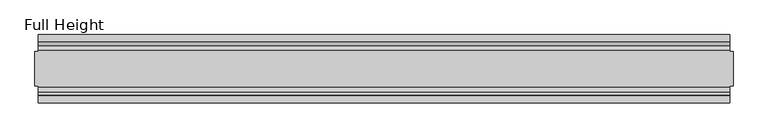
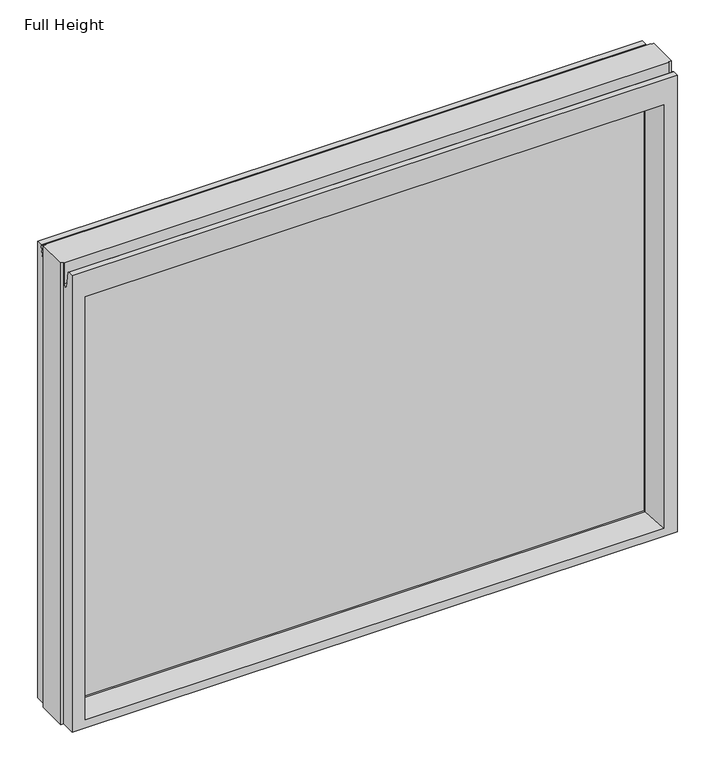
"""IFC4 building model written with IfcOpenShell, lengths in millimetres: plate geometry, Full Height."""

from ifc_helpers import new_model, si_unit, frame, origin, place, context, project, spatial, polyline, circle_curve, outline, extrude, source, transform, mapped, element, save
from ifc_brep_helpers import plane_surface, cylinder_surface, revolved_surface, advanced_brep


def full_height_04a9ae44(model_context):
    return source(origin(), model_context, "Body", "SolidModel", [
        advanced_brep(
        [(505.6759, 50.0, 0.0), (505.6759, 25.146, 0.0), (510.2479, 25.146, 0.0), (510.2479, -25.146, 0.0), (505.6759, -25.146, 0.0), (505.6759, -50.0, 0.0), (-505.6759, -50.0, 0.0), (-505.6759, -25.146, 0.0), (-510.2479, -25.146, 0.0), (-510.2479, 25.146, 0.0), (-505.6759, 25.146, 0.0), (-505.6759, 50.0, 0.0), (510.2479, 25.146, 815.34), (505.6759, 25.146, 815.34), (505.6759, 26.67, 815.34), (-505.6759, 26.67, 815.34), (-505.6759, 25.146, 815.34), (-510.2479, 25.146, 815.34), (-510.2479, -25.146, 815.34), (-505.6759, -25.146, 815.34), (-505.6759, -26.67, 815.34), (505.6759, -26.67, 815.34), (505.6759, -25.146, 815.34), (510.2479, -25.146, 815.34), (-505.6759, 26.67, 778.129), (505.6759, 26.67, 778.129), (-505.6759, -50.0, 806.196), (-505.6759, -39.9371387, 806.196), (-505.6759, -39.1867152, 805.5663199), (-505.6759, -34.2321175, 777.4674004), (-505.6759, -26.67, 778.129), (-505.6759, 34.2321175, 777.4674004), (-505.6759, 39.1867152, 805.5663199), (-505.6759, 39.9371387, 806.196), (-505.6759, 50.0, 806.196), (505.6759, -50.0, 806.196), (-483.5779, -50.0, 761.619), (483.5779, -50.0, 761.619), (483.5779, -50.0, 13.9954), (-483.5779, -50.0, 13.9954), (505.6759, 50.0, 806.196), (-483.5779, 50.0, 13.9954), (483.5779, 50.0, 13.9954), (483.5779, 50.0, 761.619), (-483.5779, 50.0, 761.619), (-477.6089, -6.1006519, 18.3896), (-477.6089, -6.1006519, 755.65), (-477.6089, 6.1006519, 755.65), (-477.6089, 6.1006519, 18.3896), (477.6089, 6.1006519, 18.3896), (477.6089, 6.1006519, 755.65), (477.6089, -6.1006519, 755.65), (477.6089, -6.1006519, 18.3896), (505.6759, 39.9371387, 806.196), (505.6759, 39.1867152, 805.5663199), (505.6759, 34.2321175, 777.4674004), (505.6759, -26.67, 778.129), (505.6759, -34.2321175, 777.4674004), (505.6759, -39.1867152, 805.5663199), (505.6759, -39.9371387, 806.196)],
        [
            (0, 1),
            (1, 2),
            (2, 3),
            (3, 4),
            (4, 5),
            (5, 6),
            (6, 7),
            (7, 8),
            (8, 9),
            (9, 10),
            (10, 11),
            (11, 0),
            (12, 13),
            (13, 14),
            (14, 15),
            (15, 16),
            (16, 17),
            (17, 18),
            (18, 19),
            (19, 20),
            (20, 21),
            (21, 22),
            (22, 23),
            (23, 12),
            (1, 13),
            (12, 2),
            (22, 4),
            (3, 23),
            (17, 9),
            (8, 18),
            (7, 19),
            (16, 10),
            (24, 15),
            (14, 25),
            (25, 24),
            (6, 26),
            (26, 27),
            (27, 28, circle_curve(frame((-505.6759, -39.9371387, 805.434), z_axis=(-1.0, 0.0, 0.0), x_axis=(0.0, -1.0, 0.0)), 0.762)),
            (28, 29),
            (29, 30, circle_curve(frame((-505.6759, -30.48, 778.129), z_axis=(1.0, 0.0, 0.0), x_axis=(0.0, -1.0, 0.0)), 3.81)),
            (30, 20),
            (24, 31, circle_curve(frame((-505.6759, 30.48, 778.129), z_axis=(1.0, 0.0, 0.0), x_axis=(0.0, -1.0, 0.0)), 3.81)),
            (31, 32),
            (32, 33, circle_curve(frame((-505.6759, 39.9371387, 805.434), z_axis=(-1.0, 0.0, 0.0), x_axis=(0.0, -1.0, 0.0)), 0.762)),
            (33, 34),
            (34, 11),
            (5, 35),
            (35, 26),
            (36, 37),
            (37, 38),
            (38, 39),
            (39, 36),
            (34, 40),
            (40, 0),
            (41, 42),
            (42, 43),
            (43, 44),
            (44, 41),
            (39, 45),
            (45, 46),
            (46, 36),
            (44, 47),
            (47, 48),
            (48, 41),
            (42, 49),
            (49, 50),
            (50, 43),
            (51, 52),
            (52, 38),
            (37, 51),
            (40, 53),
            (53, 54, circle_curve(frame((505.6759, 39.9371387, 805.434), z_axis=(1.0, 0.0, 0.0), x_axis=(0.0, -1.0, 0.0)), 0.762)),
            (54, 55),
            (55, 25, circle_curve(frame((505.6759, 30.48, 778.129), z_axis=(-1.0, 0.0, 0.0), x_axis=(0.0, -1.0, 0.0)), 3.81)),
            (21, 56),
            (56, 57, circle_curve(frame((505.6759, -30.48, 778.129), z_axis=(-1.0, 0.0, 0.0), x_axis=(0.0, -1.0, 0.0)), 3.81)),
            (57, 58),
            (58, 59, circle_curve(frame((505.6759, -39.9371387, 805.434), z_axis=(1.0, 0.0, 0.0), x_axis=(0.0, -1.0, 0.0)), 0.762)),
            (59, 35),
            (33, 53),
            (59, 27),
            (30, 56),
            (46, 51),
            (31, 55),
            (54, 32),
            (58, 28),
            (57, 29),
            (52, 45),
            (48, 49),
            (50, 47),
            (46, 47),
            (50, 51),
            (52, 49),
            (48, 45),
        ],
        [
            plane_surface(frame((-505.6759, -50.0, 0.0), z_axis=(0.0, 0.0, -1.0), x_axis=(0.0, 1.0, 0.0))),
            plane_surface(frame((505.6759, 25.146, 815.34), z_axis=(0.0, 0.0, 1.0), x_axis=(-1.0, 0.0, 0.0))),
            plane_surface(frame((510.2479, 25.146, 815.34), z_axis=(0.0, 1.0, 0.0), x_axis=(0.0, 0.0, -1.0))),
            plane_surface(frame((505.6759, -25.146, 815.34), z_axis=(0.0, -1.0, 0.0), x_axis=(0.0, 0.0, -1.0))),
            plane_surface(frame((510.2479, -25.146, 815.34), z_axis=(1.0, 0.0, 0.0), x_axis=(0.0, 0.0, -1.0))),
            plane_surface(frame((-510.2479, 25.146, 815.34), z_axis=(-1.0, 0.0, 0.0), x_axis=(0.0, 0.0, -1.0))),
            plane_surface(frame((-510.2479, -25.146, 815.34), z_axis=(0.0, -1.0, 0.0), x_axis=(0.0, 0.0, -1.0))),
            plane_surface(frame((-505.6759, 25.146, 815.34), z_axis=(0.0, 1.0, 0.0), x_axis=(0.0, 0.0, -1.0))),
            plane_surface(frame((-505.6759, 26.67, 815.34), z_axis=(0.0, 1.0, 0.0), x_axis=(1.0, 0.0, 0.0))),
            plane_surface(frame((-505.6759, 50.0, 773.4046), z_axis=(-1.0, 0.0, 0.0), x_axis=(0.0, 0.0, -1.0))),
            plane_surface(frame((-505.6759, -50.0, 773.4046), z_axis=(0.0, -1.0, 0.0), x_axis=(0.0, 0.0, -1.0))),
            plane_surface(frame((-483.5779, 50.0, 773.4046), z_axis=(0.0, 1.0, 0.0), x_axis=(0.0, 0.0, -1.0))),
            plane_surface(frame((-483.5779, -50.0, 773.4046), z_axis=(0.990882294353361, -0.13473039277393772, 0.0), x_axis=(0.0, 0.0, -1.0))),
            plane_surface(frame((-477.6089, 6.1006519, 773.4046), z_axis=(0.990882294353361, 0.13473039277393709, 0.0), x_axis=(0.0, 0.0, -1.0))),
            plane_surface(frame((483.5779, 50.0, 773.4046), z_axis=(-0.9908822943533631, 0.13473039277392201, 0.0), x_axis=(0.0, 0.0, -1.0))),
            plane_surface(frame((477.6089, -6.1006519, 773.4046), z_axis=(-0.990882294353359, -0.13473039277395266, 0.0), x_axis=(0.0, 0.0, -1.0))),
            plane_surface(frame((505.6759, -50.0, 773.4046), z_axis=(1.0, 0.0, 0.0), x_axis=(0.0, 0.0, -1.0))),
            plane_surface(frame((-505.6759, 39.9371387, 806.196), z_axis=(0.0, 0.0, 1.0), x_axis=(1.0, 0.0, 0.0))),
            plane_surface(frame((-505.6759, -50.0, 806.196), z_axis=(0.0, 0.0, 1.0), x_axis=(1.0, 0.0, 0.0))),
            plane_surface(frame((-505.6759, -26.67, 778.129), z_axis=(0.0, -1.0, 0.0), x_axis=(1.0, 0.0, 0.0))),
            plane_surface(frame((-505.6759, -6.1006519, 755.65), z_axis=(0.0, -0.13473039277393184, -0.9908822943533617), x_axis=(1.0, 0.0, 0.0))),
            plane_surface(frame((-505.6759, 34.2321175, 777.4674004), z_axis=(0.0, -0.9848077530122084, 0.17364817766692905), x_axis=(1.0, 0.0, 0.0))),
            revolved_surface(polyline([(505.6759, 26.67, 778.129), (-505.6759, 26.67, 778.129)]), (505.6759, 30.48, 778.129), (1.0, 0.0, 0.0)),
            cylinder_surface(frame((505.6759, 39.9371387, 805.434), z_axis=(-1.0, 0.0, 0.0), x_axis=(0.0, -1.0, 0.0)), 0.762),
            cylinder_surface(frame((505.6759, -39.9371387, 805.434), z_axis=(-1.0, 0.0, 0.0), x_axis=(0.0, -1.0, 0.0)), 0.762),
            plane_surface(frame((-505.6759, -39.1867152, 805.5663199), z_axis=(0.0, 0.9848077530122005, 0.17364817766697357), x_axis=(1.0, 0.0, 0.0))),
            revolved_surface(polyline([(505.6759, -34.29, 778.129), (-505.6759, -34.29, 778.129)]), (505.6759, -30.48, 778.129), (1.0, 0.0, 0.0)),
            plane_surface(frame((-505.6759, -50.0, 13.9954), z_axis=(0.0, -0.09959943661133767, 0.9950276138010965), x_axis=(1.0, 0.0, 0.0))),
            plane_surface(frame((-505.6759, 6.1006519, 18.3896), z_axis=(0.0, 0.0995994366113773, 0.9950276138010926), x_axis=(1.0, 0.0, 0.0))),
            plane_surface(frame((-505.6759, 50.0, 761.619), z_axis=(0.0, 0.13473039277391685, -0.9908822943533637), x_axis=(1.0, 0.0, 0.0))),
            plane_surface(frame((-505.6759, 6.1006519, 755.65), z_axis=(0.0, 0.0, -1.0), x_axis=(1.0, 0.0, 0.0))),
            plane_surface(frame((-505.6759, -6.1006519, 18.3896), z_axis=(0.0, 0.0, 1.0), x_axis=(1.0, 0.0, 0.0))),
            plane_surface(frame((-477.6089, -6.1006519, 773.4046), z_axis=(1.0, 0.0, 0.0), x_axis=(0.0, 0.0, -1.0))),
            plane_surface(frame((477.6089, 6.1006519, 773.4046), z_axis=(-1.0, 0.0, 0.0), x_axis=(0.0, 0.0, -1.0))),
        ],
        [
            (0, [[1, 2, 3, 4, 5, 6, 7, 8, 9, 10, 11, 12]]),
            (1, [[13, 14, 15, 16, 17, 18, 19, 20, 21, 22, 23, 24]]),
            (2, [[25, -13, 26, -2]]),
            (3, [[-23, 27, -4, 28]]),
            (4, [[-24, -28, -3, -26]]),
            (5, [[-18, 29, -9, 30]]),
            (6, [[31, -19, -30, -8]]),
            (7, [[-17, 32, -10, -29]]),
            (8, [[33, -15, 34, 35]]),
            (9, [[-7, 36, 37, 38, 39, 40, 41, -20, -31]]),
            (9, [[-11, -32, -16, -33, 42, 43, 44, 45, 46]]),
            (10, [[-36, -6, 47, 48], [49, 50, 51, 52]]),
            (11, [[-12, -46, 53, 54], [55, 56, 57, 58]]),
            (12, [[-52, 59, 60, 61]]),
            (13, [[-58, 62, 63, 64]]),
            (14, [[-56, 65, 66, 67]]),
            (15, [[68, 69, -50, 70]]),
            (16, [[-1, -54, 71, 72, 73, 74, -34, -14, -25]]),
            (16, [[-47, -5, -27, -22, 75, 76, 77, 78, 79]]),
            (17, [[-45, 80, -71, -53]]),
            (18, [[-37, -48, -79, 81]]),
            (19, [[-41, 82, -75, -21]]),
            (20, [[-49, -61, 83, -70]]),
            (21, [[-43, 84, -73, 85]]),
            (22, [[-42, -35, -74, -84]]),
            (23, [[-44, -85, -72, -80]]),
            (24, [[-38, -81, -78, 86]]),
            (25, [[-39, -86, -77, 87]]),
            (26, [[-40, -87, -76, -82]]),
            (27, [[-51, -69, 88, -59]]),
            (28, [[-55, -64, 89, -65]]),
            (29, [[-57, -67, 90, -62]]),
            (30, [[-83, 91, -90, 92]]),
            (31, [[-88, 93, -89, 94]]),
            (32, [[-63, -91, -60, -94]]),
            (33, [[-68, -92, -66, -93]]),
        ],
    ),
        extrude(outline(polyline([(-477.6089, 3.175), (477.6089, 3.175), (477.6089, -3.175), (-477.6089, -3.175), (-477.6089, 3.175)])), frame((0.0, 0.0, 18.3896), z_axis=(0.0, 0.0, 1.0), x_axis=(1.0, 0.0, 0.0)), (0.0, 0.0, 1.0), 737.2604),
    ])


if __name__ == "__main__":
    model = new_model("IFC4")
    model_context = context("Model", 3, world=origin())
    ifc_project = project(units=[si_unit("LENGTHUNIT", "METRE", prefix="MILLI")], contexts=[model_context])
    site = spatial("IfcSite", under=ifc_project)
    building = spatial("IfcBuilding", under=site)
    placement = place(None, origin())
    full_height_shape = full_height_04a9ae44(model_context)
    element("IfcPlate", 1, ObjectType="Full Height", at=placement, inside=building, context=model_context, shape_type="MappedRepresentation", body=[
        mapped(full_height_shape, transform((0.0, 0.0, 0.0), x_axis=(1.0, 0.0, 0.0), y_axis=(0.0, 1.0, 0.0), z_axis=(0.0, 0.0, 1.0))),
    ])
    save(model, "model.ifc")
